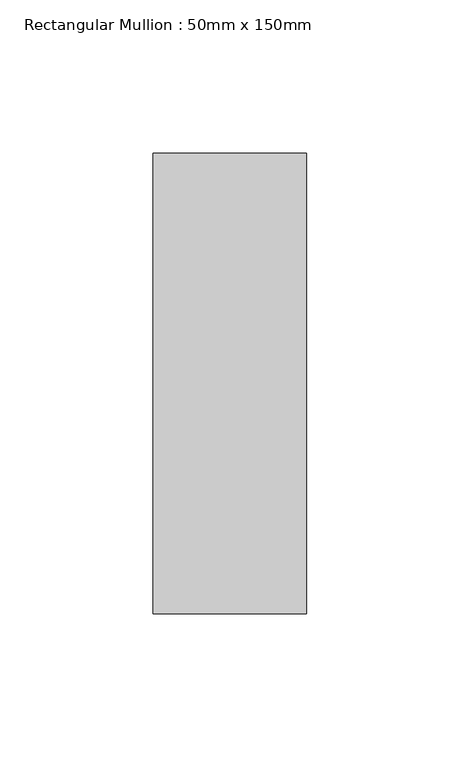
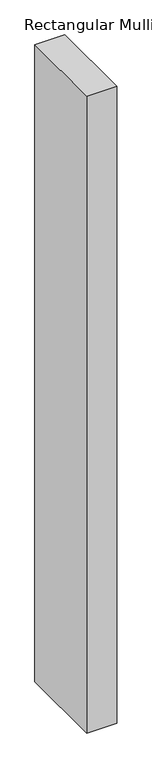
"""IFC4 building model written with IfcOpenShell, lengths in millimetres: member geometry, Rectangular Mullion : 50mm x 150mm."""

from ifc_helpers import new_model, si_unit, frame, origin, place, context, project, spatial, polyline, outline, extrude, source, transform, mapped, element, save


def rectangular_mullion_50mm_x_150mm_60451361(model_context):
    return source(origin(), model_context, "Body", "SweptSolid", [
        extrude(outline(polyline([(0.0, 75.0), (0.0, -75.0), (-50.0, -75.0), (-50.0, 75.0), (0.0, 75.0)])), frame((0.0, 0.0, -1125.0), z_axis=(0.0, 0.0, 1.0), x_axis=(1.0, 0.0, 0.0)), (0.0, 0.0, 1.0), 1125.0),
    ])


if __name__ == "__main__":
    model = new_model("IFC4")
    model_context = context("Model", 3, world=origin())
    ifc_project = project(units=[si_unit("LENGTHUNIT", "METRE", prefix="MILLI")], contexts=[model_context])
    site = spatial("IfcSite", under=ifc_project)
    building = spatial("IfcBuilding", under=site)
    placement = place(None, origin())
    rectangular_mullion_50mm_x_150mm_shape = rectangular_mullion_50mm_x_150mm_60451361(model_context)
    element("IfcMember", 1, ObjectType="Rectangular Mullion : 50mm x 150mm", at=placement, inside=building, context=model_context, shape_type="MappedRepresentation", body=[
        mapped(rectangular_mullion_50mm_x_150mm_shape, transform((0.0, 0.0, 0.0), x_axis=(1.0, 0.0, 0.0), y_axis=(0.0, 1.0, 0.0), z_axis=(0.0, 0.0, 1.0))),
    ])
    save(model, "model.ifc")
